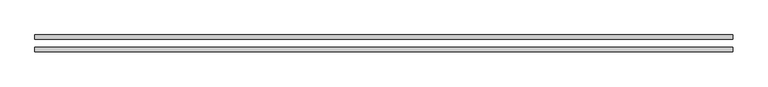
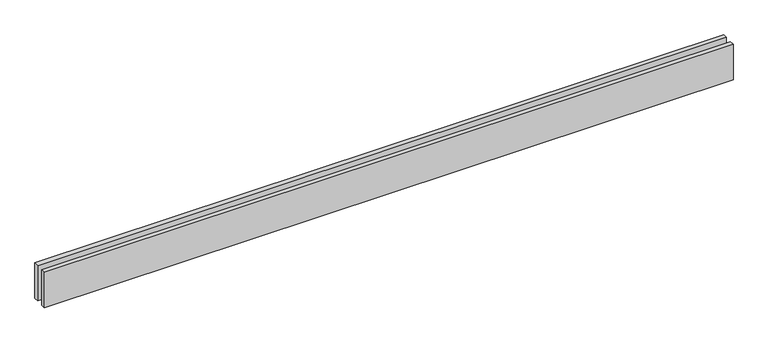
"""IFC4 building model written with IfcOpenShell, lengths in millimetres: proxy geometry."""

import ifcopenshell
import ifcopenshell.guid

model = None  # the IFC model being written
_history = None  # IfcOwnerHistory: only IFC2X3 demands one
_inside = {}  # id of a spatial element -> (the spatial element, [elements in it])
_under = {}  # id of a project, library or spatial element -> (it, [spatial elements below it])
_declared = {}  # id of a project -> (the project, [libraries it declares])
_typed = {}  # id of a type object -> (the type object, [elements of that type])
_made_of = {}  # id of a material, layer set ... -> (it, [elements and type objects made of it])


def new_model(schema):
    """Start an empty IFC model of exactly this schema.

    Asked for "IFC4X3", IfcOpenShell would pick the latest addendum, in which some entities
    have other attributes; the version numbers below select the first issue.
    IFC2X3 requires an IfcOwnerHistory on every rooted entity: one is made here for all.
    """
    global model, _history
    if schema == "IFC4X3":
        model = ifcopenshell.file(schema_version=(4, 3, 0, 0))
    else:
        model = ifcopenshell.file(schema=schema)
    _inside.clear()
    _under.clear()
    _declared.clear()
    _typed.clear()
    _made_of.clear()
    _history = None
    if model.schema == "IFC2X3":
        org = make("IfcOrganization", Name="unknown")
        user = make(
            "IfcPersonAndOrganization",
            ThePerson=make("IfcPerson", FamilyName="unknown"),
            TheOrganization=org,
        )
        app = make(
            "IfcApplication",
            ApplicationDeveloper=org,
            Version="unknown",
            ApplicationFullName="unknown",
            ApplicationIdentifier="unknown",
        )
        _history = make(
            "IfcOwnerHistory",
            OwningUser=user,
            OwningApplication=app,
            ChangeAction="ADDED",
            CreationDate=0,
        )
    return model


def make(cls, **values):
    """One entity of the class cls with the attributes given. An attribute that is None is left unset."""
    return model.create_entity(
        cls, **{name: value for name, value in values.items() if value is not None}
    )


def rooted(cls, **values):
    """An entity with a GlobalId (a new one), such as an element, a storey or a relation."""
    return make(cls, GlobalId=ifcopenshell.guid.new(), OwnerHistory=_history, **values)


def si_unit(unit_type, name, prefix=None):
    """IfcSIUnit, for example si_unit("LENGTHUNIT", "METRE", prefix="MILLI")."""
    return make("IfcSIUnit", UnitType=unit_type, Prefix=prefix, Name=name)


def assignment(units):
    """IfcUnitAssignment: the units of a project."""
    return None if units is None else make("IfcUnitAssignment", Units=units)


def point(xyz):
    """IfcCartesianPoint."""
    return None if xyz is None else make("IfcCartesianPoint", Coordinates=xyz)


def direction(xyz):
    """IfcDirection."""
    return None if xyz is None else make("IfcDirection", DirectionRatios=xyz)


def frame(location, z_axis=None, x_axis=None):
    """IfcAxis2Placement3D, a coordinate frame: its origin and axes. An axis left out is left unset."""
    return make(
        "IfcAxis2Placement3D",
        Location=point(location),
        Axis=direction(z_axis),
        RefDirection=direction(x_axis),
    )


def origin():
    """The frame at (0, 0, 0) with its axes left unset."""
    return frame((0.0, 0.0, 0.0))


def origin_with_axes():
    """The frame at (0, 0, 0) with the z axis (0, 0, 1) and the x axis (1, 0, 0) written out."""
    return frame((0.0, 0.0, 0.0), z_axis=(0.0, 0.0, 1.0), x_axis=(1.0, 0.0, 0.0))


def place(relative_to, where):
    """IfcLocalPlacement: puts the frame where relative to a parent placement (None: the world)."""
    return make(
        "IfcLocalPlacement", PlacementRelTo=relative_to, RelativePlacement=where
    )


def context(
    kind, dimensions, precision=None, world=None, true_north=None, identifier=None
):
    """IfcGeometricRepresentationContext, for example the 3D "Model" context."""
    return make(
        "IfcGeometricRepresentationContext",
        ContextIdentifier=identifier,
        ContextType=kind,
        CoordinateSpaceDimension=dimensions,
        Precision=precision,
        WorldCoordinateSystem=world,
        TrueNorth=true_north,
    )


def project(units=None, contexts=None):
    """IfcProject with its units and contexts."""
    return rooted(
        "IfcProject",
        Name="project",
        RepresentationContexts=contexts,
        UnitsInContext=assignment(units),
    )


def spatial(cls, under=None, at=None, **own):
    """A site, building, storey or space (cls), placed at a placement, below another one or the project."""
    s = rooted(cls, ObjectPlacement=at, **own)
    if under is not None:
        _under.setdefault(under.id(), (under, []))[1].append(s)
    return s


def polyline(points):
    """IfcPolyline through the points."""
    return make("IfcPolyline", Points=[point(p) for p in points])


def outline(outer, holes=None, kind="AREA"):
    """IfcArbitraryClosedProfileDef: a profile drawn as a closed curve; with holes, ...WithVoids."""
    if holes is None:
        return make("IfcArbitraryClosedProfileDef", ProfileType=kind, OuterCurve=outer)
    return make(
        "IfcArbitraryProfileDefWithVoids",
        ProfileType=kind,
        OuterCurve=outer,
        InnerCurves=holes,
    )


def extrude(swept, where, along, depth):
    """IfcExtrudedAreaSolid: the profile swept, set in the frame where, extruded along a direction by depth."""
    return make(
        "IfcExtrudedAreaSolid",
        SweptArea=swept,
        Position=where,
        ExtrudedDirection=direction(along),
        Depth=depth,
    )


def shape(context_of_items, identifier, shape_type, items):
    """IfcShapeRepresentation: the items that make up one representation, for example the "Body"."""
    return make(
        "IfcShapeRepresentation",
        ContextOfItems=context_of_items,
        RepresentationIdentifier=identifier,
        RepresentationType=shape_type,
        Items=items,
    )


def source(mapping_origin, context_of_items, identifier, shape_type, items):
    """IfcRepresentationMap: a shape defined once, which mapped items show again and again."""
    return make(
        "IfcRepresentationMap",
        MappingOrigin=mapping_origin,
        MappedRepresentation=shape(context_of_items, identifier, shape_type, items),
    )


def transform(
    local_origin,
    x_axis=None,
    y_axis=None,
    z_axis=None,
    scale=None,
    scale2=None,
    scale3=None,
    uniform=True,
):
    """IfcCartesianTransformationOperator3D, or its non-uniform kind. x_axis, y_axis, z_axis: its Axis1, 2, 3."""
    if uniform:
        return make(
            "IfcCartesianTransformationOperator3D",
            Axis1=direction(x_axis),
            Axis2=direction(y_axis),
            LocalOrigin=point(local_origin),
            Scale=scale,
            Axis3=direction(z_axis),
        )
    return make(
        "IfcCartesianTransformationOperator3DnonUniform",
        Axis1=direction(x_axis),
        Axis2=direction(y_axis),
        LocalOrigin=point(local_origin),
        Scale=scale,
        Axis3=direction(z_axis),
        Scale2=scale2,
        Scale3=scale3,
    )


def mapped(mapping_source, mapping_target):
    """IfcMappedItem: shows the shape of a source again, moved by a transform."""
    return make(
        "IfcMappedItem", MappingSource=mapping_source, MappingTarget=mapping_target
    )


def made_of(thing, what):
    """Note that an element or type object is made of a material, layer set ...; save() writes the relation."""
    if what is not None:
        _made_of.setdefault(what.id(), (what, []))[1].append(thing)
    return thing


def element(
    cls,
    number,
    at=None,
    inside=None,
    cuts=None,
    type_object=None,
    material=None,
    context=None,
    identifier="Body",
    shape_type=None,
    held_by="IfcProductDefinitionShape",
    body=None,
    shapes=None,
    **own,
):
    """One element of the class cls, such as IfcWall. Its Tag is "e" and its number.

    at: its placement. inside: the storey or other place that contains it. cuts: it is an
    opening in that element (IfcRelVoidsElement). A single representation is given by context,
    identifier, shape_type and body (its items); several are given by shapes. held_by: the class
    of the entity that holds the representations. save() writes the other relations.
    """
    e = rooted(cls, Tag="e%d" % number, ObjectPlacement=at, **own)
    if body is not None:
        shapes = [shape(context, identifier, shape_type, body)]
    if shapes is not None:
        e.Representation = make(held_by, Representations=shapes)
    if inside is not None:
        _inside.setdefault(inside.id(), (inside, []))[1].append(e)
    if cuts is not None:
        rooted(
            "IfcRelVoidsElement", RelatingBuildingElement=cuts, RelatedOpeningElement=e
        )
    if type_object is not None:
        _typed.setdefault(type_object.id(), (type_object, []))[1].append(e)
    return made_of(e, material)


def aggregate(whole, parts):
    """IfcRelAggregates: a whole, such as a stair, and the parts it consists of."""
    return rooted("IfcRelAggregates", RelatingObject=whole, RelatedObjects=parts)


def save(model, path):
    """Write the relations noted so far, then the file.

    IfcRelAggregates (storeys below a building ...), IfcRelContainedInSpatialStructure (elements
    in a storey), IfcRelDefinesByType, IfcRelAssociatesMaterial and IfcRelDeclares: one each for
    every whole, place, type object, material and project.
    """
    for whole, parts in _under.values():
        aggregate(whole, parts)
    for where, things in _inside.values():
        rooted(
            "IfcRelContainedInSpatialStructure",
            RelatedElements=things,
            RelatingStructure=where,
        )
    for kind, things in _typed.values():
        rooted("IfcRelDefinesByType", RelatedObjects=things, RelatingType=kind)
    for what, things in _made_of.values():
        rooted("IfcRelAssociatesMaterial", RelatedObjects=things, RelatingMaterial=what)
    for by, libraries in _declared.values():
        rooted("IfcRelDeclares", RelatingContext=by, RelatedDefinitions=libraries)
    model.write(path)


def generic_models_8093782a(model_context):
    return source(origin(), model_context, "Body", "SweptSolid", [
        extrude(outline(polyline([(4600.0, 25.0), (0.0, 25.0), (0.0, 55.0), (4600.0, 55.0), (4600.0, 25.0)])), origin_with_axes(), (0.0, 0.0, 1.0), 250.0),
        extrude(outline(polyline([(4600.0, -55.0), (0.0, -55.0), (0.0, -25.0), (4600.0, -25.0), (4600.0, -55.0)])), origin_with_axes(), (0.0, 0.0, 1.0), 250.0),
    ])


if __name__ == "__main__":
    model = new_model("IFC4")
    model_context = context("Model", 3, world=origin())
    ifc_project = project(units=[si_unit("LENGTHUNIT", "METRE", prefix="MILLI")], contexts=[model_context])
    site = spatial("IfcSite", under=ifc_project)
    building = spatial("IfcBuilding", under=site)
    placement = place(None, origin())
    generic_models_shape = generic_models_8093782a(model_context)
    element("IfcBuildingElementProxy", 1, Name="Generic Models", at=placement, inside=building, context=model_context, shape_type="MappedRepresentation", body=[
        mapped(generic_models_shape, transform((0.0, 0.0, 0.0), x_axis=(1.0, 0.0, 0.0), y_axis=(0.0, 1.0, 0.0), z_axis=(0.0, 0.0, 1.0))),
    ])
    save(model, "model.ifc")
